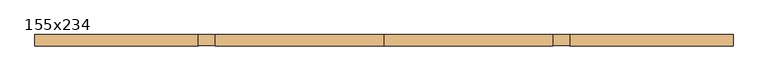
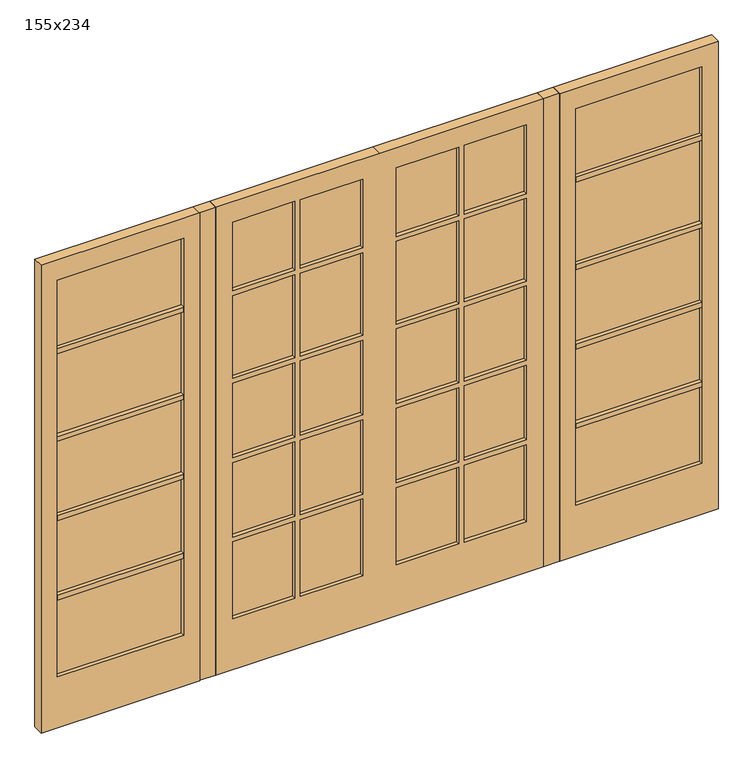
"""IFC4 building model written with IfcOpenShell, lengths in millimetres: door geometry, 155x234."""

from ifc_helpers import new_model, si_unit, frame, origin, origin_with_axes, place, context, project, spatial, polyline, outline, extrude, source, transform, mapped, element, save


def door_155x234_067f2ffc(model_context):
    return source(origin(), model_context, "Body", "SweptSolid", [
        extrude(outline(polyline([(927.4, 91.0), (1525.0, 91.0), (1525.0, 40.0), (927.4, 40.0), (927.4, 91.0)])), frame((0.0, 0.0, 1035.76), z_axis=(0.0, 0.0, 1.0), x_axis=(1.0, 0.0, 0.0)), (0.0, 0.0, 1.0), 24.0),
        extrude(outline(polyline([(927.4, 91.0), (1525.0, 91.0), (1525.0, 40.0), (927.4, 40.0), (927.4, 91.0)])), frame((0.0, 0.0, 638.88), z_axis=(0.0, 0.0, 1.0), x_axis=(1.0, 0.0, 0.0)), (0.0, 0.0, 1.0), 24.0),
        extrude(outline(polyline([(-1525.0, 91.0), (-927.4, 91.0), (-927.4, 40.0), (-1525.0, 40.0), (-1525.0, 91.0)])), frame((0.0, 0.0, 1035.76), z_axis=(0.0, 0.0, 1.0), x_axis=(1.0, 0.0, 0.0)), (0.0, 0.0, 1.0), 24.0),
        extrude(outline(polyline([(-1525.0, 91.0), (-927.4, 91.0), (-927.4, 40.0), (-1525.0, 40.0), (-1525.0, 91.0)])), frame((0.0, 0.0, 638.88), z_axis=(0.0, 0.0, 1.0), x_axis=(1.0, 0.0, 0.0)), (0.0, 0.0, 1.0), 24.0),
        extrude(outline(polyline([(2340.0, 0.0), (2340.0, -775.0), (0.0, -775.0), (0.0, 0.0), (0.0, 775.0), (2340.0, 775.0), (2340.0, 0.0)]), holes=[polyline([(1059.76, 695.0), (1059.76, 400.2), (1432.64, 400.2), (1432.64, 695.0), (1059.76, 695.0)]), polyline([(1059.76, 374.8), (1059.76, 80.0), (1432.64, 80.0), (1432.64, 374.8), (1059.76, 374.8)]), polyline([(662.88, 695.0), (662.88, 400.2), (1035.76, 400.2), (1035.76, 695.0), (662.88, 695.0)]), polyline([(662.88, 374.8), (662.88, 80.0), (1035.76, 80.0), (1035.76, 374.8), (662.88, 374.8)]), polyline([(254.0, 695.0), (254.0, 400.2), (638.88, 400.2), (638.88, 695.0), (254.0, 695.0)]), polyline([(254.0, 374.8), (254.0, 80.0), (638.88, 80.0), (638.88, 374.8), (254.0, 374.8)]), polyline([(1059.76, -80.0), (1059.76, -374.8), (1432.64, -374.8), (1432.64, -80.0), (1059.76, -80.0)]), polyline([(1059.76, -695.0), (1432.64, -695.0), (1432.64, -400.2), (1059.76, -400.2), (1059.76, -695.0)]), polyline([(662.88, -80.0), (662.88, -374.8), (1035.76, -374.8), (1035.76, -80.0), (662.88, -80.0)]), polyline([(662.88, -695.0), (1035.76, -695.0), (1035.76, -400.2), (662.88, -400.2), (662.88, -695.0)]), polyline([(254.0, -80.0), (254.0, -374.8), (638.88, -374.8), (638.88, -80.0), (254.0, -80.0)]), polyline([(254.0, -400.2), (254.0, -695.0), (638.88, -695.0), (638.88, -400.2), (254.0, -400.2)]), polyline([(2238.4, 400.2), (2238.4, 695.0), (1894.8, 695.0), (1894.8, 400.2), (2238.4, 400.2)]), polyline([(1456.64, 695.0), (1456.64, 400.2), (1870.8, 400.2), (1870.8, 695.0), (1456.64, 695.0)]), polyline([(2238.4, 80.0), (2238.4, 374.8), (1894.8, 374.8), (1894.8, 80.0), (2238.4, 80.0)]), polyline([(1456.64, 374.8), (1456.64, 80.0), (1870.8, 80.0), (1870.8, 374.8), (1456.64, 374.8)]), polyline([(2238.4, -374.8), (2238.4, -80.0), (1894.8, -80.0), (1894.8, -374.8), (2238.4, -374.8)]), polyline([(1456.64, -80.0), (1456.64, -374.8), (1870.8, -374.8), (1870.8, -80.0), (1456.64, -80.0)]), polyline([(1870.8, -695.0), (1870.8, -400.2), (1456.64, -400.2), (1456.64, -695.0), (1870.8, -695.0)]), polyline([(2238.4, -400.2), (1894.8, -400.2), (1894.8, -695.0), (2238.4, -695.0), (2238.4, -400.2)])]), frame((0.0, 40.0, 0.0), z_axis=(0.0, 1.0, 0.0), x_axis=(0.0, 0.0, 1.0)), (0.0, 0.0, 1.0), 51.0),
        extrude(outline(polyline([(927.4, 91.0), (1525.0, 91.0), (1525.0, 40.0), (927.4, 40.0), (927.4, 91.0)])), frame((0.0, 0.0, 1432.64), z_axis=(0.0, 0.0, 1.0), x_axis=(1.0, 0.0, 0.0)), (0.0, 0.0, 1.0), 24.0),
        extrude(outline(polyline([(927.4, 91.0), (1525.0, 91.0), (1525.0, 40.0), (927.4, 40.0), (927.4, 91.0)])), frame((0.0, 0.0, 1870.8), z_axis=(0.0, 0.0, 1.0), x_axis=(1.0, 0.0, 0.0)), (0.0, 0.0, 1.0), 24.0),
        extrude(outline(polyline([(-1525.0, 91.0), (-927.4, 91.0), (-927.4, 40.0), (-1525.0, 40.0), (-1525.0, 91.0)])), frame((0.0, 0.0, 1432.64), z_axis=(0.0, 0.0, 1.0), x_axis=(1.0, 0.0, 0.0)), (0.0, 0.0, 1.0), 24.0),
        extrude(outline(polyline([(-1525.0, 91.0), (-927.4, 91.0), (-927.4, 40.0), (-1525.0, 40.0), (-1525.0, 91.0)])), frame((0.0, 0.0, 1870.8), z_axis=(0.0, 0.0, 1.0), x_axis=(1.0, 0.0, 0.0)), (0.0, 0.0, 1.0), 24.0),
        extrude(outline(polyline([(-851.2, 91.0), (-775.0, 91.0), (-775.0, 41.4163215), (-851.2, 41.4163215), (-851.2, 91.0)])), origin_with_axes(), (0.0, 0.0, 1.0), 2340.0),
        extrude(outline(polyline([(775.0, 91.0), (851.2, 91.0), (851.2, 41.4163215), (775.0, 41.4163215), (775.0, 91.0)])), origin_with_axes(), (0.0, 0.0, 1.0), 2340.0),
        extrude(outline(polyline([(2340.0, -851.2), (2340.0, -1601.2), (0.0, -1601.2), (0.0, -851.2), (2340.0, -851.2)]), holes=[polyline([(2238.4, -927.4), (254.0, -927.4), (254.0, -1525.0), (2238.4, -1525.0), (2238.4, -927.4)])]), frame((0.0, 40.0, 0.0), z_axis=(0.0, 1.0, 0.0), x_axis=(0.0, 0.0, 1.0)), (0.0, 0.0, 1.0), 51.0),
        extrude(outline(polyline([(0.0, 851.2), (0.0, 1601.2), (2340.0, 1601.2), (2340.0, 851.2), (0.0, 851.2)]), holes=[polyline([(2238.4, 1525.0), (254.0, 1525.0), (254.0, 927.4), (2238.4, 927.4), (2238.4, 1525.0)])]), frame((0.0, 40.0, 0.0), z_axis=(0.0, 1.0, 0.0), x_axis=(0.0, 0.0, 1.0)), (0.0, 0.0, 1.0), 51.0),
        extrude(outline(polyline([(-695.0, 72.0), (-80.0, 72.0), (-80.0, 59.0), (-695.0, 59.0), (-695.0, 72.0)])), frame((0.0, 0.0, 254.0), z_axis=(0.0, 0.0, 1.0), x_axis=(1.0, 0.0, 0.0)), (0.0, 0.0, 1.0), 1984.4),
        extrude(outline(polyline([(927.4, 72.0), (1525.0, 72.0), (1525.0, 59.0), (927.4, 59.0), (927.4, 72.0)])), frame((0.0, 0.0, 254.0), z_axis=(0.0, 0.0, 1.0), x_axis=(1.0, 0.0, 0.0)), (0.0, 0.0, 1.0), 1984.4),
        extrude(outline(polyline([(-1525.0, 72.0), (-927.4, 72.0), (-927.4, 59.0), (-1525.0, 59.0), (-1525.0, 72.0)])), frame((0.0, 0.0, 254.0), z_axis=(0.0, 0.0, 1.0), x_axis=(1.0, 0.0, 0.0)), (0.0, 0.0, 1.0), 1984.4),
        extrude(outline(polyline([(80.0, 72.0), (695.0, 72.0), (695.0, 59.0), (80.0, 59.0), (80.0, 72.0)])), frame((0.0, 0.0, 254.0), z_axis=(0.0, 0.0, 1.0), x_axis=(1.0, 0.0, 0.0)), (0.0, 0.0, 1.0), 1984.4),
    ])


if __name__ == "__main__":
    model = new_model("IFC4")
    model_context = context("Model", 3, world=origin())
    ifc_project = project(units=[si_unit("LENGTHUNIT", "METRE", prefix="MILLI")], contexts=[model_context])
    site = spatial("IfcSite", under=ifc_project)
    building = spatial("IfcBuilding", under=site)
    placement = place(None, origin())
    door_155x234_shape = door_155x234_067f2ffc(model_context)
    element("IfcDoor", 1, ObjectType="155x234", at=placement, inside=building, context=model_context, shape_type="MappedRepresentation", body=[
        mapped(door_155x234_shape, transform((0.0, 0.0, 0.0), x_axis=(1.0, 0.0, 0.0), y_axis=(0.0, 1.0, 0.0), z_axis=(0.0, 0.0, 1.0))),
    ])
    save(model, "model.ifc")
